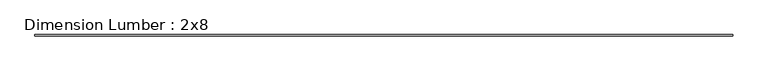
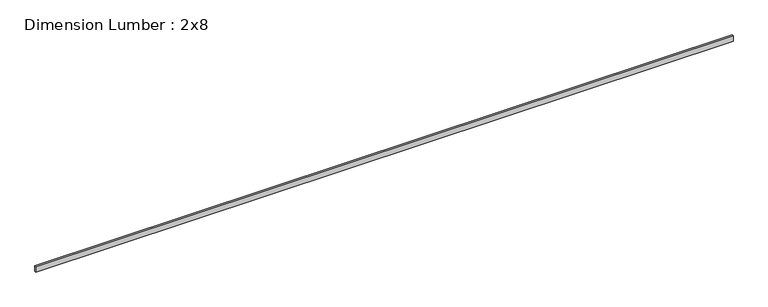
"""IFC4 building model written with IfcOpenShell, lengths in millimetres: beam geometry, Dimension Lumber : 2x8."""

from ifc_helpers import new_model, si_unit, frame, origin, place, context, project, spatial, polyline, outline, extrude, source, transform, mapped, element, save


def dimension_lumber_2x8_aea9fb7a(model_context):
    return source(origin(), model_context, "Body", "SweptSolid", [
        extrude(outline(polyline([(11057.5801168, 19.05), (11057.5801168, -19.05), (-11057.5801168, -19.05), (-11057.5801168, 19.05), (11057.5801168, 19.05)])), frame((0.0, 0.0, -92.075), z_axis=(0.0, 0.0, 1.0), x_axis=(1.0, 0.0, 0.0)), (0.0, 0.0, 1.0), 184.15),
    ])


if __name__ == "__main__":
    model = new_model("IFC4")
    model_context = context("Model", 3, world=origin())
    ifc_project = project(units=[si_unit("LENGTHUNIT", "METRE", prefix="MILLI")], contexts=[model_context])
    site = spatial("IfcSite", under=ifc_project)
    building = spatial("IfcBuilding", under=site)
    placement = place(None, origin())
    dimension_lumber_2x8_shape = dimension_lumber_2x8_aea9fb7a(model_context)
    element("IfcBeam", 1, ObjectType="Dimension Lumber : 2x8", at=placement, inside=building, context=model_context, shape_type="MappedRepresentation", body=[
        mapped(dimension_lumber_2x8_shape, transform((0.0, 0.0, 0.0), x_axis=(1.0, 0.0, 0.0), y_axis=(0.0, 1.0, 0.0), z_axis=(0.0, 0.0, 1.0))),
    ])
    save(model, "model.ifc")
